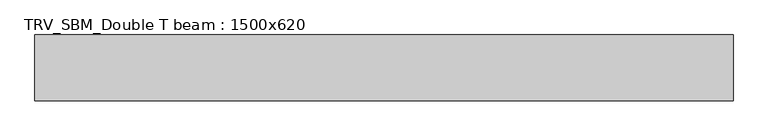
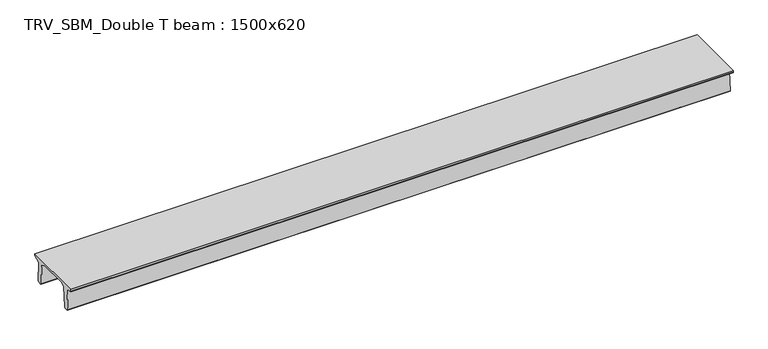
"""IFC4 building model written with IfcOpenShell, lengths in millimetres: beam geometry, TRV_SBM_Double T beam : 1500x620."""

import ifcopenshell
import ifcopenshell.guid

model = None  # the IFC model being written
_history = None  # IfcOwnerHistory: only IFC2X3 demands one
_inside = {}  # id of a spatial element -> (the spatial element, [elements in it])
_under = {}  # id of a project, library or spatial element -> (it, [spatial elements below it])
_declared = {}  # id of a project -> (the project, [libraries it declares])
_typed = {}  # id of a type object -> (the type object, [elements of that type])
_made_of = {}  # id of a material, layer set ... -> (it, [elements and type objects made of it])


def new_model(schema):
    """Start an empty IFC model of exactly this schema.

    Asked for "IFC4X3", IfcOpenShell would pick the latest addendum, in which some entities
    have other attributes; the version numbers below select the first issue.
    IFC2X3 requires an IfcOwnerHistory on every rooted entity: one is made here for all.
    """
    global model, _history
    if schema == "IFC4X3":
        model = ifcopenshell.file(schema_version=(4, 3, 0, 0))
    else:
        model = ifcopenshell.file(schema=schema)
    _inside.clear()
    _under.clear()
    _declared.clear()
    _typed.clear()
    _made_of.clear()
    _history = None
    if model.schema == "IFC2X3":
        org = make("IfcOrganization", Name="unknown")
        user = make(
            "IfcPersonAndOrganization",
            ThePerson=make("IfcPerson", FamilyName="unknown"),
            TheOrganization=org,
        )
        app = make(
            "IfcApplication",
            ApplicationDeveloper=org,
            Version="unknown",
            ApplicationFullName="unknown",
            ApplicationIdentifier="unknown",
        )
        _history = make(
            "IfcOwnerHistory",
            OwningUser=user,
            OwningApplication=app,
            ChangeAction="ADDED",
            CreationDate=0,
        )
    return model


def make(cls, **values):
    """One entity of the class cls with the attributes given. An attribute that is None is left unset."""
    return model.create_entity(
        cls, **{name: value for name, value in values.items() if value is not None}
    )


def rooted(cls, **values):
    """An entity with a GlobalId (a new one), such as an element, a storey or a relation."""
    return make(cls, GlobalId=ifcopenshell.guid.new(), OwnerHistory=_history, **values)


def si_unit(unit_type, name, prefix=None):
    """IfcSIUnit, for example si_unit("LENGTHUNIT", "METRE", prefix="MILLI")."""
    return make("IfcSIUnit", UnitType=unit_type, Prefix=prefix, Name=name)


def assignment(units):
    """IfcUnitAssignment: the units of a project."""
    return None if units is None else make("IfcUnitAssignment", Units=units)


def point(xyz):
    """IfcCartesianPoint."""
    return None if xyz is None else make("IfcCartesianPoint", Coordinates=xyz)


def direction(xyz):
    """IfcDirection."""
    return None if xyz is None else make("IfcDirection", DirectionRatios=xyz)


def frame(location, z_axis=None, x_axis=None):
    """IfcAxis2Placement3D, a coordinate frame: its origin and axes. An axis left out is left unset."""
    return make(
        "IfcAxis2Placement3D",
        Location=point(location),
        Axis=direction(z_axis),
        RefDirection=direction(x_axis),
    )


def origin():
    """The frame at (0, 0, 0) with its axes left unset."""
    return frame((0.0, 0.0, 0.0))


def place(relative_to, where):
    """IfcLocalPlacement: puts the frame where relative to a parent placement (None: the world)."""
    return make(
        "IfcLocalPlacement", PlacementRelTo=relative_to, RelativePlacement=where
    )


def context(
    kind, dimensions, precision=None, world=None, true_north=None, identifier=None
):
    """IfcGeometricRepresentationContext, for example the 3D "Model" context."""
    return make(
        "IfcGeometricRepresentationContext",
        ContextIdentifier=identifier,
        ContextType=kind,
        CoordinateSpaceDimension=dimensions,
        Precision=precision,
        WorldCoordinateSystem=world,
        TrueNorth=true_north,
    )


def project(units=None, contexts=None):
    """IfcProject with its units and contexts."""
    return rooted(
        "IfcProject",
        Name="project",
        RepresentationContexts=contexts,
        UnitsInContext=assignment(units),
    )


def spatial(cls, under=None, at=None, **own):
    """A site, building, storey or space (cls), placed at a placement, below another one or the project."""
    s = rooted(cls, ObjectPlacement=at, **own)
    if under is not None:
        _under.setdefault(under.id(), (under, []))[1].append(s)
    return s


def polyline(points):
    """IfcPolyline through the points."""
    return make("IfcPolyline", Points=[point(p) for p in points])


def outline(outer, holes=None, kind="AREA"):
    """IfcArbitraryClosedProfileDef: a profile drawn as a closed curve; with holes, ...WithVoids."""
    if holes is None:
        return make("IfcArbitraryClosedProfileDef", ProfileType=kind, OuterCurve=outer)
    return make(
        "IfcArbitraryProfileDefWithVoids",
        ProfileType=kind,
        OuterCurve=outer,
        InnerCurves=holes,
    )


def extrude(swept, where, along, depth):
    """IfcExtrudedAreaSolid: the profile swept, set in the frame where, extruded along a direction by depth."""
    return make(
        "IfcExtrudedAreaSolid",
        SweptArea=swept,
        Position=where,
        ExtrudedDirection=direction(along),
        Depth=depth,
    )


def shape(context_of_items, identifier, shape_type, items):
    """IfcShapeRepresentation: the items that make up one representation, for example the "Body"."""
    return make(
        "IfcShapeRepresentation",
        ContextOfItems=context_of_items,
        RepresentationIdentifier=identifier,
        RepresentationType=shape_type,
        Items=items,
    )


def source(mapping_origin, context_of_items, identifier, shape_type, items):
    """IfcRepresentationMap: a shape defined once, which mapped items show again and again."""
    return make(
        "IfcRepresentationMap",
        MappingOrigin=mapping_origin,
        MappedRepresentation=shape(context_of_items, identifier, shape_type, items),
    )


def transform(
    local_origin,
    x_axis=None,
    y_axis=None,
    z_axis=None,
    scale=None,
    scale2=None,
    scale3=None,
    uniform=True,
):
    """IfcCartesianTransformationOperator3D, or its non-uniform kind. x_axis, y_axis, z_axis: its Axis1, 2, 3."""
    if uniform:
        return make(
            "IfcCartesianTransformationOperator3D",
            Axis1=direction(x_axis),
            Axis2=direction(y_axis),
            LocalOrigin=point(local_origin),
            Scale=scale,
            Axis3=direction(z_axis),
        )
    return make(
        "IfcCartesianTransformationOperator3DnonUniform",
        Axis1=direction(x_axis),
        Axis2=direction(y_axis),
        LocalOrigin=point(local_origin),
        Scale=scale,
        Axis3=direction(z_axis),
        Scale2=scale2,
        Scale3=scale3,
    )


def mapped(mapping_source, mapping_target):
    """IfcMappedItem: shows the shape of a source again, moved by a transform."""
    return make(
        "IfcMappedItem", MappingSource=mapping_source, MappingTarget=mapping_target
    )


def made_of(thing, what):
    """Note that an element or type object is made of a material, layer set ...; save() writes the relation."""
    if what is not None:
        _made_of.setdefault(what.id(), (what, []))[1].append(thing)
    return thing


def element(
    cls,
    number,
    at=None,
    inside=None,
    cuts=None,
    type_object=None,
    material=None,
    context=None,
    identifier="Body",
    shape_type=None,
    held_by="IfcProductDefinitionShape",
    body=None,
    shapes=None,
    **own,
):
    """One element of the class cls, such as IfcWall. Its Tag is "e" and its number.

    at: its placement. inside: the storey or other place that contains it. cuts: it is an
    opening in that element (IfcRelVoidsElement). A single representation is given by context,
    identifier, shape_type and body (its items); several are given by shapes. held_by: the class
    of the entity that holds the representations. save() writes the other relations.
    """
    e = rooted(cls, Tag="e%d" % number, ObjectPlacement=at, **own)
    if body is not None:
        shapes = [shape(context, identifier, shape_type, body)]
    if shapes is not None:
        e.Representation = make(held_by, Representations=shapes)
    if inside is not None:
        _inside.setdefault(inside.id(), (inside, []))[1].append(e)
    if cuts is not None:
        rooted(
            "IfcRelVoidsElement", RelatingBuildingElement=cuts, RelatedOpeningElement=e
        )
    if type_object is not None:
        _typed.setdefault(type_object.id(), (type_object, []))[1].append(e)
    return made_of(e, material)


def aggregate(whole, parts):
    """IfcRelAggregates: a whole, such as a stair, and the parts it consists of."""
    return rooted("IfcRelAggregates", RelatingObject=whole, RelatedObjects=parts)


def save(model, path):
    """Write the relations noted so far, then the file.

    IfcRelAggregates (storeys below a building ...), IfcRelContainedInSpatialStructure (elements
    in a storey), IfcRelDefinesByType, IfcRelAssociatesMaterial and IfcRelDeclares: one each for
    every whole, place, type object, material and project.
    """
    for whole, parts in _under.values():
        aggregate(whole, parts)
    for where, things in _inside.values():
        rooted(
            "IfcRelContainedInSpatialStructure",
            RelatedElements=things,
            RelatingStructure=where,
        )
    for kind, things in _typed.values():
        rooted("IfcRelDefinesByType", RelatedObjects=things, RelatingType=kind)
    for what, things in _made_of.values():
        rooted("IfcRelAssociatesMaterial", RelatedObjects=things, RelatingMaterial=what)
    for by, libraries in _declared.values():
        rooted("IfcRelDeclares", RelatingContext=by, RelatedDefinitions=libraries)
    model.write(path)


def trv_sbm_double_t_beam_1500x620_e09d44e4(model_context):
    return source(origin(), model_context, "Body", "SweptSolid", [
        extrude(outline(polyline([(-765.0, 215.0), (-765.0, 260.0), (735.0, 260.0), (735.0, 215.0), (728.2094488, 201.315559), (578.0626443, 140.6523122), (594.8277662, -339.4379646), (574.2657308, -360.0), (484.2657308, -360.0), (464.786332, -340.5206011), (447.8600761, 144.18395), (338.3237744, 210.0), (-367.4555014, 210.0), (-476.5389732, 151.9992892), (-507.0080378, -339.3850967), (-527.622941, -360.0), (-615.122941, -360.0), (-637.1143055, -338.0086356), (-606.1572167, 162.687806), (-761.3068466, 204.260024), (-765.0, 215.0)])), frame((-7931.0, 0.0, 0.0), z_axis=(1.0, 0.0, 0.0), x_axis=(0.0, 1.0, 0.0)), (0.0, 0.0, 1.0), 15939.0),
    ])


if __name__ == "__main__":
    model = new_model("IFC4")
    model_context = context("Model", 3, world=origin())
    ifc_project = project(units=[si_unit("LENGTHUNIT", "METRE", prefix="MILLI")], contexts=[model_context])
    site = spatial("IfcSite", under=ifc_project)
    building = spatial("IfcBuilding", under=site)
    placement = place(None, origin())
    trv_sbm_double_t_beam_1500x620_shape = trv_sbm_double_t_beam_1500x620_e09d44e4(model_context)
    element("IfcBeam", 1, ObjectType="TRV_SBM_Double T beam : 1500x620", at=placement, inside=building, context=model_context, shape_type="MappedRepresentation", body=[
        mapped(trv_sbm_double_t_beam_1500x620_shape, transform((0.0, 0.0, 0.0), x_axis=(1.0, 0.0, 0.0), y_axis=(0.0, 1.0, 0.0), z_axis=(0.0, 0.0, 1.0))),
    ])
    save(model, "model.ifc")
